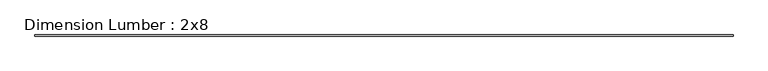
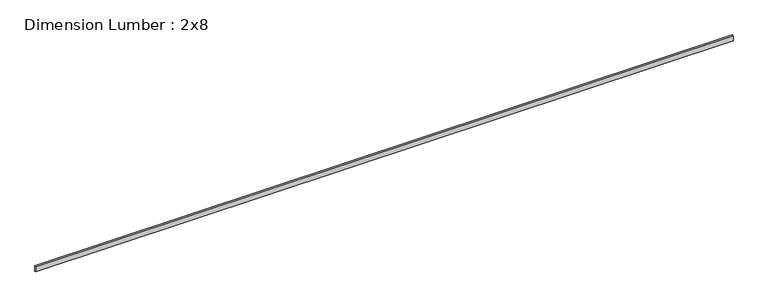
"""IFC4 building model written with IfcOpenShell, lengths in millimetres: beam geometry, Dimension Lumber : 2x8."""

from ifc_helpers import new_model, si_unit, frame, origin, place, context, project, spatial, polyline, outline, extrude, source, transform, mapped, element, save


def dimension_lumber_2x8_6ced1be0(model_context):
    return source(origin(), model_context, "Body", "SweptSolid", [
        extrude(outline(polyline([(11276.5702233, 19.05), (11276.5702233, -19.05), (-11276.5702233, -19.05), (-11276.5702233, 19.05), (11276.5702233, 19.05)])), frame((0.0, 0.0, -92.075), z_axis=(0.0, 0.0, 1.0), x_axis=(1.0, 0.0, 0.0)), (0.0, 0.0, 1.0), 184.15),
    ])


if __name__ == "__main__":
    model = new_model("IFC4")
    model_context = context("Model", 3, world=origin())
    ifc_project = project(units=[si_unit("LENGTHUNIT", "METRE", prefix="MILLI")], contexts=[model_context])
    site = spatial("IfcSite", under=ifc_project)
    building = spatial("IfcBuilding", under=site)
    placement = place(None, origin())
    dimension_lumber_2x8_shape = dimension_lumber_2x8_6ced1be0(model_context)
    element("IfcBeam", 1, ObjectType="Dimension Lumber : 2x8", at=placement, inside=building, context=model_context, shape_type="MappedRepresentation", body=[
        mapped(dimension_lumber_2x8_shape, transform((0.0, 0.0, 0.0), x_axis=(1.0, 0.0, 0.0), y_axis=(0.0, 1.0, 0.0), z_axis=(0.0, 0.0, 1.0))),
    ])
    save(model, "model.ifc")
